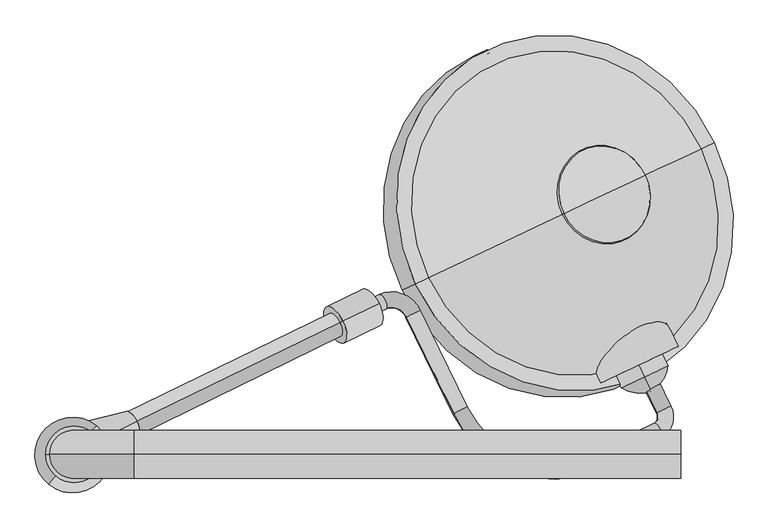
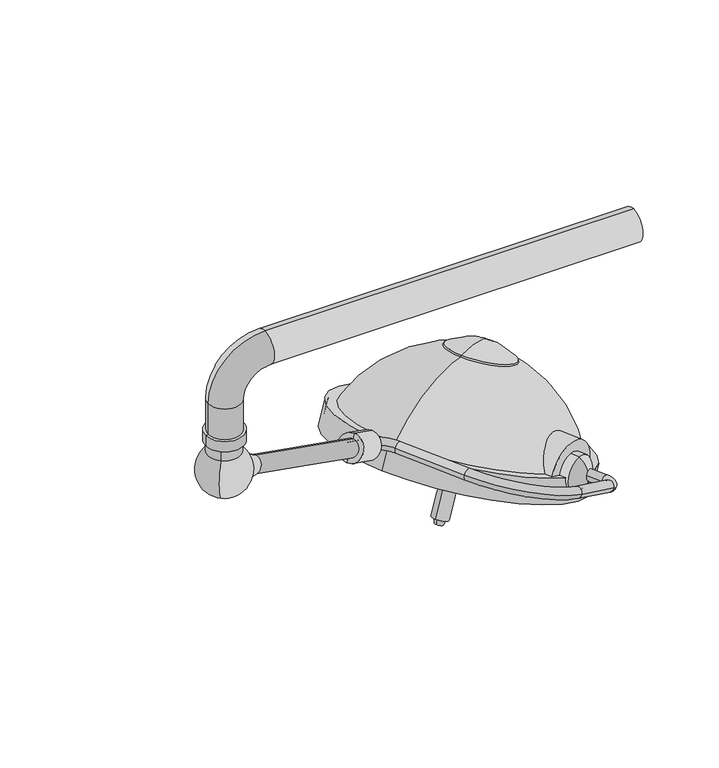
"""IFC4 building model written with IfcOpenShell, lengths in millimetres: proxy geometry."""

from ifc_helpers import new_model, si_unit, point, frame, frame_2d, origin, origin_2d, place, context, project, spatial, polyline, circle_curve, ellipse_curve, trimmed, segment, composite_curve, outline, extrude, source, transform, mapped, element, save
from ifc_brep_helpers import plane_surface, cylinder_surface, revolved_surface, advanced_brep


def specialty_equipment_baffde93(model_context):
    return source(origin(), model_context, "Body", "SolidModel", [
        advanced_brep(
        [(-51.3241797, -670.2413617, 1699.7604265), (-72.1798458, -680.4133498, 1710.0915373), (-51.503984, -722.8051486, 1710.0915373), (-30.6483179, -712.6331606, 1699.7604265), (-56.3645035, -739.305827, 1715.2570926), (-45.2298764, -762.1351958, 1715.2570926), (-159.8794514, -789.7934405, 1766.5344952), (-148.7448243, -812.6228093, 1766.5344952), (-351.8212111, -713.8491561, 1828.5211596), (-372.6768772, -724.0211441, 1838.8522704), (-426.0821694, -561.5916279, 1828.5211596), (-446.9378356, -571.7636159, 1838.8522704), (-490.062756, -536.2768664, 1849.1833811), (-478.9281288, -559.1062352, 1849.1833811), (-557.8921303, -597.619552, 1888.2991704), (-569.0267574, -574.7901832, 1888.2991704)],
        [
            (0, 1, circle_curve(frame((-61.7520127, -675.3273558, 1704.9259819), z_axis=(-0.43837114678908723, 0.8987940462991623, 0.0), x_axis=(-0.8210892183528129, -0.40047196991074896, 0.4067366430758003)), 12.7)),
            (1, 0, circle_curve(frame((-61.7520127, -675.3273558, 1704.9259819), z_axis=(-0.43837114678908723, 0.8987940462991623, 0.0), x_axis=(-0.8210892183528129, -0.40047196991074896, 0.4067366430758003)), 12.7)),
            (1, 2),
            (2, 3, circle_curve(frame((-41.0761509, -717.7191546, 1704.9259819), z_axis=(-0.43837114678908723, 0.8987940462991623, 0.0), x_axis=(-0.8210892183528129, -0.40047196991074896, 0.4067366430758003)), 12.7)),
            (3, 0),
            (3, 2, circle_curve(frame((-41.0761509, -717.7191546, 1704.9259819), z_axis=(-0.43837114678908723, 0.8987940462991623, 0.0), x_axis=(-0.8210892183528129, -0.40047196991074896, 0.4067366430758003)), 12.7)),
            (4, 5, circle_curve(frame((-50.79719, -750.7205114, 1715.2570926), z_axis=(0.8210892183528026, 0.40047196991076994, -0.4067366430758003), x_axis=(-0.43837114678910644, 0.8987940462991528, 0.0)), 12.7)),
            (5, 3, circle_curve(frame((-61.9318171, -727.8911427, 1715.2570926), z_axis=(0.36557247320823727, 0.17830160866628114, 0.9135454576426009), x_axis=(0.8210892183528128, 0.400471969910749, -0.4067366430758004)), 38.1)),
            (2, 4, circle_curve(frame((-61.9318171, -727.8911427, 1715.2570926), z_axis=(-0.36557247320823727, -0.17830160866628114, -0.9135454576426009), x_axis=(0.8210892183528128, 0.400471969910749, -0.4067366430758004)), 12.7)),
            (5, 4, circle_curve(frame((-50.79719, -750.7205114, 1715.2570926), z_axis=(0.8210892183528096, 0.40047196991075557, -0.4067366430758003), x_axis=(-0.43837114678909334, 0.8987940462991593, 0.0)), 12.7)),
            (4, 6),
            (6, 7, circle_curve(frame((-154.3121378, -801.2081249, 1766.5344952), z_axis=(0.821089218352813, 0.40047196991074857, -0.40673664307580043), x_axis=(-0.4383711467890869, 0.8987940462991624, 0.0)), 12.7)),
            (7, 5),
            (7, 6, circle_curve(frame((-154.3121378, -801.2081249, 1766.5344952), z_axis=(0.821089218352813, 0.40047196991074857, -0.40673664307580043), x_axis=(-0.4383711467890869, 0.8987940462991624, 0.0)), 12.7)),
            (8, 9, circle_curve(frame((-362.2490441, -718.9351501, 1833.686715), z_axis=(0.43837114678908423, -0.8987940462991637, 0.0), x_axis=(0.8210892183528146, 0.40047196991074574, -0.40673664307580043)), 12.7)),
            (9, 7, circle_curve(frame((-226.6872142, -652.8172279, 1766.5344952), z_axis=(0.36557247320823727, 0.17830160866628114, 0.9135454576426009), x_axis=(0.43837114678909317, -0.8987940462991594, 0.0)), 177.8)),
            (6, 8, circle_curve(frame((-226.6872142, -652.8172279, 1766.5344952), z_axis=(-0.36557247320823727, -0.17830160866628114, -0.9135454576426009), x_axis=(0.43837114678909317, -0.8987940462991594, 0.0)), 152.4)),
            (9, 8, circle_curve(frame((-362.2490441, -718.9351501, 1833.686715), z_axis=(0.43837114678908495, -0.8987940462991634, 0.0), x_axis=(0.8210892183528141, 0.4004719699107465, -0.40673664307580043)), 12.7)),
            (8, 10),
            (10, 11, circle_curve(frame((-436.5100025, -566.6776219, 1833.686715), z_axis=(0.43837114678908545, -0.898794046299163, 0.0), x_axis=(0.8210892183528139, 0.400471969910747, -0.4067366430758005)), 12.7)),
            (11, 9),
            (11, 10, circle_curve(frame((-436.5100025, -566.6776219, 1833.686715), z_axis=(0.43837114678908545, -0.898794046299163, 0.0), x_axis=(0.8210892183528139, 0.400471969910747, -0.4067366430758005)), 12.7)),
            (12, 13, circle_curve(frame((-484.4954424, -547.6915508, 1849.1833811), z_axis=(0.8210892183528162, 0.40047196991074224, -0.4067366430758004), x_axis=(-0.4383711467890812, 0.8987940462991653, 0.0)), 12.7)),
            (13, 11, circle_curve(frame((-467.7935017, -581.935604, 1849.1833811), z_axis=(-0.36557247320823727, -0.17830160866628114, -0.9135454576426009), x_axis=(0.8210892183528169, 0.4004719699107408, -0.4067366430758004)), 25.4)),
            (10, 12, circle_curve(frame((-467.7935017, -581.935604, 1849.1833811), z_axis=(0.36557247320823727, 0.17830160866628114, 0.9135454576426009), x_axis=(0.8210892183528169, 0.4004719699107408, -0.4067366430758004)), 50.8)),
            (13, 12, circle_curve(frame((-484.4954424, -547.6915508, 1849.1833811), z_axis=(0.8210892183528147, 0.40047196991074546, -0.4067366430758004), x_axis=(-0.43837114678908407, 0.8987940462991638, 0.0)), 12.7)),
            (14, 15, circle_curve(frame((-563.4594439, -586.2048676, 1888.2991704), z_axis=(-0.821089218352815, -0.40047196991074563, 0.4067366430757997), x_axis=(-0.438371146789084, 0.8987940462991637, 0.0)), 12.7)),
            (15, 14, circle_curve(frame((-563.4594439, -586.2048676, 1888.2991704), z_axis=(-0.821089218352815, -0.40047196991074563, 0.4067366430757997), x_axis=(-0.438371146789084, 0.8987940462991637, 0.0)), 12.7)),
            (12, 15),
            (14, 13),
        ],
        [
            plane_surface(frame((-671.2712366, -972.6097446, 181.7710423), z_axis=(-0.43837114678908734, 0.8987940462991622, 0.0), x_axis=(0.3655724732082375, 0.17830160866628114, 0.9135454576426008))),
            cylinder_surface(frame((-61.7520127, -675.3273558, 1704.9259819), z_axis=(-0.43837114678908723, 0.8987940462991623, 0.0), x_axis=(-0.8210892183528129, -0.40047196991074896, 0.4067366430758003)), 12.7),
            revolved_surface(trimmed(ellipse_curve(frame((-41.0761509, -717.7191546, 1704.9259819), z_axis=(0.43837114678908723, -0.8987940462991622, 0.0), x_axis=(-0.8210892183528128, -0.4004719699107489, 0.40673664307580043)), 12.7, 12.7), [point((-30.6483179, -712.6331606, 1699.7604265))], [point((-51.503984, -722.8051486, 1710.0915373))], True, "CARTESIAN"), (-671.451041, -1025.1735315, 192.1021531), (0.36557247320823727, 0.17830160866628114, 0.9135454576426009)),
            revolved_surface(trimmed(ellipse_curve(frame((-41.0761509, -717.7191546, 1704.9259819), z_axis=(0.43837114678908723, -0.8987940462991622, 0.0), x_axis=(-0.8210892183528128, -0.4004719699107489, 0.40673664307580043)), 12.7, 12.7), [point((-51.503984, -722.8051486, 1710.0915373))], [point((-30.6483179, -712.6331606, 1699.7604265))], True, "CARTESIAN"), (-671.451041, -1025.1735315, 192.1021531), (0.36557247320823727, 0.17830160866628114, 0.9135454576426009)),
            cylinder_surface(frame((-50.79719, -750.7205114, 1715.2570926), z_axis=(0.821089218352813, 0.40047196991074857, -0.40673664307580043), x_axis=(-0.4383711467890869, 0.8987940462991624, 0.0)), 12.7),
            revolved_surface(trimmed(ellipse_curve(frame((-154.3121378, -801.2081249, 1766.5344952), z_axis=(-0.8210892183528098, -0.40047196991075545, 0.4067366430758005), x_axis=(-0.4383711467890932, 0.8987940462991594, 0.0)), 12.7, 12.7), [point((-148.7448243, -812.6228093, 1766.5344952))], [point((-159.8794514, -789.7934405, 1766.5344952))], True, "CARTESIAN"), (-836.2064381, -950.0996167, 243.3795556), (0.36557247320823727, 0.17830160866628114, 0.9135454576426009)),
            revolved_surface(trimmed(ellipse_curve(frame((-154.3121378, -801.2081249, 1766.5344952), z_axis=(-0.8210892183528098, -0.40047196991075545, 0.4067366430758005), x_axis=(-0.4383711467890932, 0.8987940462991594, 0.0)), 12.7, 12.7), [point((-159.8794514, -789.7934405, 1766.5344952))], [point((-148.7448243, -812.6228093, 1766.5344952))], True, "CARTESIAN"), (-836.2064381, -950.0996167, 243.3795556), (0.36557247320823727, 0.17830160866628114, 0.9135454576426009)),
            cylinder_surface(frame((-362.2490441, -718.9351501, 1833.686715), z_axis=(0.43837114678908556, -0.8987940462991633, 0.0), x_axis=(0.8210892183528139, 0.400471969910747, -0.4067366430758005)), 12.7),
            revolved_surface(trimmed(ellipse_curve(frame((-436.5100025, -566.6776219, 1833.686715), z_axis=(-0.43837114678907957, 0.898794046299166, 0.0), x_axis=(0.821089218352817, 0.4004719699107405, -0.40673664307580043)), 12.7, 12.7), [point((-446.9378356, -571.7636159, 1838.8522704))], [point((-426.0821694, -561.5916279, 1828.5211596))], True, "CARTESIAN"), (-1077.3127256, -879.2179928, 326.0284415), (-0.36557247320823727, -0.17830160866628114, -0.9135454576426009)),
            revolved_surface(trimmed(ellipse_curve(frame((-436.5100025, -566.6776219, 1833.686715), z_axis=(-0.43837114678907957, 0.898794046299166, 0.0), x_axis=(0.821089218352817, 0.4004719699107405, -0.40673664307580043)), 12.7, 12.7), [point((-426.0821694, -561.5916279, 1828.5211596))], [point((-446.9378356, -571.7636159, 1838.8522704))], True, "CARTESIAN"), (-1077.3127256, -879.2179928, 326.0284415), (-0.36557247320823727, -0.17830160866628114, -0.9135454576426009)),
            plane_surface(frame((-1172.9786678, -883.4872565, 365.1442308), z_axis=(-0.821089218352815, -0.40047196991074574, 0.4067366430757996), x_axis=(0.3655724732082366, 0.1783016086662806, 0.9135454576426013))),
            cylinder_surface(frame((-484.4954424, -547.6915508, 1849.1833811), z_axis=(0.8210892183528148, 0.4004719699107455, -0.4067366430757996), x_axis=(-0.438371146789084, 0.8987940462991637, 0.0)), 12.7),
        ],
        [
            (0, [[1, 2]]),
            (1, [[3, 4, 5, -2]]),
            (1, [[-5, 6, -3, -1]]),
            (2, [[7, 8, -4, 9]]),
            (3, [[10, -9, -6, -8]]),
            (4, [[11, 12, 13, -7]]),
            (4, [[-13, 14, -11, -10]]),
            (5, [[15, 16, -12, 17]]),
            (6, [[18, -17, -14, -16]]),
            (7, [[19, 20, 21, -15]]),
            (7, [[-21, 22, -19, -18]]),
            (8, [[23, 24, -20, 25]]),
            (9, [[26, -25, -22, -24]]),
            (10, [[27, 28]]),
            (11, [[29, -27, 30, -23]]),
            (11, [[-30, -28, -29, -26]]),
        ],
    ),
        advanced_brep(
        [(-70.9853036, -666.0888501, 1662.093259), (-79.9012214, -647.2586456, 1662.093259), (-79.9012214, -647.2586456, 1743.3108067), (-70.9853036, -666.0888501, 1743.3108067), (-59.9841849, -689.3229491, 1702.7020328), (-79.9012214, -647.2586456, 1702.7020328)],
        [
            (0, 1),
            (1, 2, circle_curve(frame((-79.9012214, -647.2586456, 1702.7020328), z_axis=(0.4279431442574036, -0.9038056568107367, 0.0), x_axis=(0.0, 0.0, 1.0)), 40.6087738)),
            (2, 3),
            (3, 0, circle_curve(frame((-70.9853036, -666.0888501, 1702.7020328), z_axis=(-0.4279431442574036, 0.9038056568107367, 0.0), x_axis=(0.0, 0.0, 1.0)), 40.6087738)),
            (2, 1, circle_curve(frame((-79.9012214, -647.2586456, 1702.7020328), z_axis=(0.4279431442574036, -0.9038056568107367, 0.0), x_axis=(0.0, 0.0, 1.0)), 40.6087738)),
            (0, 3, circle_curve(frame((-70.9853036, -666.0888501, 1702.7020328), z_axis=(-0.4279431442574036, 0.9038056568107367, 0.0), x_axis=(0.0, 0.0, 1.0)), 40.6087738)),
            (4, 0, circle_curve(frame((-83.4268503, -639.8126019, 1708.9387051), z_axis=(0.9038056568107369, 0.4279431442574031, 0.0), x_axis=(-0.42794314425740326, 0.9038056568107368, 0.0)), 55.1337385)),
            (3, 4, circle_curve(frame((-83.4268503, -639.8126019, 1696.4653606), z_axis=(0.9038056568107367, 0.42794314425740376, 0.0), x_axis=(-0.42794314425740393, 0.9038056568107365, 0.0)), 55.1337385)),
            (1, 5),
            (5, 2),
        ],
        [
            cylinder_surface(frame((-79.9012214, -647.2586456, 1702.7020328), z_axis=(0.4279431442574036, -0.9038056568107367, 0.0), x_axis=(0.0, 0.0, 1.0)), 40.6087738),
            revolved_surface(trimmed(ellipse_curve(frame((-83.4268503, -639.8126019, 1696.4653606), z_axis=(0.9038056568107367, 0.42794314425740376, 0.0), x_axis=(-0.42794314425740393, 0.9038056568107365, 0.0)), 55.1337385, 55.1337385), [point((-70.9853036, -666.0888501, 1743.3108067))], [point((-59.9841849, -689.3229491, 1702.7020328))], True, "CARTESIAN"), (-79.9012214, -647.2586456, 1702.7020328), (0.4279431442574036, -0.9038056568107367, 0.0)),
            revolved_surface(trimmed(ellipse_curve(frame((-83.4268503, -639.8126019, 1696.4653606), z_axis=(0.9038056568107365, 0.42794314425740393, 0.0), x_axis=(-0.4279431442574041, 0.9038056568107364, 0.0)), 55.1337385, 55.1337385), [point((-70.9853036, -666.0888501, 1743.3108067))], [point((-59.9841849, -689.3229491, 1702.7020328))], True, "CARTESIAN"), (-79.9012214, -647.2586456, 1702.7020328), (0.4279431442574036, -0.9038056568107367, 0.0)),
            plane_surface(frame((-79.9012214, -647.2586456, 1702.7020328), z_axis=(-0.42794314425740343, 0.9038056568107368, 0.0), x_axis=(0.0, 0.0, 1.0))),
        ],
        [
            (0, [[1, 2, 3, 4]]),
            (0, [[-3, 5, -1, 6]]),
            (1, [[7, -4, 8]]),
            (2, [[-8, -6, -7]]),
            (3, [[9, 10, -2]]),
            (3, [[-10, -9, -5]]),
        ],
    ),
        advanced_brep(
        [(-198.2891405, -408.2286063, 1882.6946884), (-123.8504881, -372.982632, 1877.268084), (-70.3964825, -347.6726828, 1819.6927814), (-200.9060117, -409.4676693, 1880.0876662), (-70.3964825, -347.6726828, 1815.7966478), (-129.8474904, -375.822154, 1862.3650044)],
        [
            (0, 1, circle_curve(frame((-172.8421817, -396.1797201, 1682.2916913), z_axis=(-0.427943144257401, 0.9038056568107382, 0.0), x_axis=(0.604764027172337, 0.2863498556040709, -0.7431448254773931)), 202.3711557)),
            (1, 2, circle_curve(frame((-222.0261973, -419.4678707, 1706.5205002), z_axis=(-0.42794314425740376, 0.9038056568107369, 0.0), x_axis=(-0.9038056568107369, -0.4279431442574038, 0.0)), 202.3711557)),
            (2, 0, circle_curve(frame((-134.3428115, -377.9506446, 1851.1937349), z_axis=(0.3676108788441171, 0.17406015792255894, 0.9135454576426013), x_axis=(0.8256675523711364, 0.3909455155656434, -0.4067366430757995)), 77.4480344)),
            (0, 2, circle_curve(frame((-134.3428115, -377.9506446, 1851.1937349), z_axis=(0.3676108788441171, 0.17406015792255894, 0.9135454576426013), x_axis=(0.8256675523711364, 0.3909455155656434, -0.4067366430757995)), 77.4480344)),
            (3, 0),
            (2, 4),
            (4, 3, circle_curve(frame((-135.6512471, -378.5701761, 1847.942157), z_axis=(0.3676108788441171, 0.17406015792255894, 0.9135454576426013), x_axis=(0.8256675523711364, 0.3909455155656434, -0.4067366430757995)), 79.0327347)),
            (3, 4, circle_curve(frame((-135.6512471, -378.5701761, 1847.942157), z_axis=(0.3676108788441171, 0.17406015792255894, 0.9135454576426013), x_axis=(0.8256675523711364, 0.3909455155656434, -0.4067366430757995)), 79.0327347)),
            (5, 3, circle_curve(frame((-221.2532479, -419.1018867, 1596.9639329), z_axis=(0.427943144257401, -0.9038056568107382, 0.0), x_axis=(0.604764027172337, 0.2863498556040709, -0.7431448254773931)), 284.0173877)),
            (4, 5, circle_curve(frame((-246.9439851, -431.2661997, 1609.6195886), z_axis=(0.42794314425740376, -0.9038056568107369, 0.0), x_axis=(-0.9038056568107369, -0.4279431442574038, 0.0)), 284.0173877)),
        ],
        [
            revolved_surface(trimmed(ellipse_curve(frame((-222.0261973, -419.4678707, 1706.5205002), z_axis=(-0.42794314425740376, 0.9038056568107369, 0.0), x_axis=(-0.9038056568107369, -0.4279431442574038, 0.0)), 202.3711557, 202.3711557), [point((-123.8504881, -372.982632, 1877.268084))], [point((-70.3964825, -347.6726828, 1819.6927814))], True, "CARTESIAN"), (-169.8512246, -394.7635311, 1762.9521965), (-0.3676108788441171, -0.17406015792255894, -0.9135454576426013)),
            revolved_surface(trimmed(ellipse_curve(frame((-222.0261973, -419.4678707, 1706.5205002), z_axis=(-0.42794314425740376, 0.9038056568107369, 0.0), x_axis=(-0.9038056568107369, -0.42794314425740376, 0.0)), 202.3711557, 202.3711557), [point((-123.8504881, -372.982632, 1877.268084))], [point((-70.3964825, -347.6726828, 1819.6927814))], True, "CARTESIAN"), (-169.8512246, -394.7635311, 1762.9521965), (-0.3676108788441171, -0.17406015792255894, -0.9135454576426013)),
            revolved_surface(polyline([(-70.3964825, -347.6726828, 1819.6927814), (-70.3964825, -347.6726828, 1815.7966478)]), (-169.8512246, -394.7635311, 1762.9521965), (-0.3676108788441171, -0.17406015792255894, -0.9135454576426013)),
            revolved_surface(trimmed(ellipse_curve(frame((-246.9439851, -431.2661997, 1609.6195886), z_axis=(0.42794314425740376, -0.9038056568107369, 0.0), x_axis=(-0.9038056568107369, -0.4279431442574038, 0.0)), 284.0173877, 284.0173877), [point((-70.3964825, -347.6726828, 1815.7966478))], [point((-129.8474904, -375.822154, 1862.3650044))], True, "CARTESIAN"), (-169.8512246, -394.7635311, 1762.9521965), (-0.3676108788441171, -0.17406015792255894, -0.9135454576426013)),
            revolved_surface(trimmed(ellipse_curve(frame((-246.9439851, -431.2661997, 1609.6195886), z_axis=(0.42794314425740376, -0.9038056568107369, 0.0), x_axis=(-0.9038056568107369, -0.42794314425740376, 0.0)), 284.0173877, 284.0173877), [point((-70.3964825, -347.6726828, 1815.7966478))], [point((-129.8474904, -375.822154, 1862.3650044))], True, "CARTESIAN"), (-169.8512246, -394.7635311, 1762.9521965), (-0.3676108788441171, -0.17406015792255894, -0.9135454576426013)),
        ],
        [
            (0, [[1, 2, 3]]),
            (1, [[-2, -1, 4]]),
            (2, [[5, -3, 6, 7]]),
            (2, [[-6, -4, -5, 8]]),
            (3, [[9, -7, 10]]),
            (4, [[-10, -8, -9]]),
        ],
    ),
        advanced_brep(
        [(-266.4821549, -440.5173321, 1522.8158117), (-255.996177, -435.552324, 1517.6502563), (-276.9681328, -445.4823401, 1527.9813671), (-263.0629437, -438.898369, 1507.6425198), (-271.0121339, -442.6622329, 1511.5584142), (-278.9613242, -446.4260968, 1515.4743086)],
        [
            (0, 1),
            (1, 2, circle_curve(frame((-266.4821549, -440.5173321, 1522.8158117), z_axis=(0.36761087884411703, 0.17406015792255897, 0.9135454576426013), x_axis=(-0.8256675523711364, -0.3909455155656434, 0.40673664307579943)), 12.7)),
            (2, 0),
            (2, 1, circle_curve(frame((-266.4821549, -440.5173321, 1522.8158117), z_axis=(0.36761087884411703, 0.17406015792255897, 0.9135454576426013), x_axis=(-0.8256675523711364, -0.3909455155656434, 0.40673664307579943)), 12.7)),
            (3, 4),
            (4, 5),
            (5, 3, circle_curve(frame((-271.0121339, -442.6622329, 1511.5584142), z_axis=(-0.36761087884411703, -0.17406015792255897, -0.9135454576426013), x_axis=(-0.8256675523711364, -0.3909455155656434, 0.40673664307579943)), 9.6275919)),
            (3, 5, circle_curve(frame((-271.0121339, -442.6622329, 1511.5584142), z_axis=(-0.36761087884411703, -0.17406015792255897, -0.9135454576426013), x_axis=(-0.8256675523711364, -0.3909455155656434, 0.40673664307579943)), 9.6275919)),
            (1, 3),
            (5, 2),
        ],
        [
            plane_surface(frame((-266.4821549, -440.5173321, 1522.8158117), z_axis=(0.36761087884411714, 0.1740601579225589, 0.9135454576426014), x_axis=(-0.8256675523711364, -0.3909455155656434, 0.40673664307579943))),
            plane_surface(frame((-271.0121339, -442.6622329, 1511.5584142), z_axis=(-0.36761087884411714, -0.1740601579225589, -0.9135454576426014), x_axis=(-0.8256675523711364, -0.3909455155656434, 0.40673664307579943))),
            revolved_surface(polyline([(-278.9613242, -446.4260968, 1515.4743086), (-276.9681328, -445.4823401, 1527.9813671)]), (-229.1328896, -422.83282, 1615.6320302), (0.36761087884411703, 0.17406015792255897, 0.9135454576426013)),
        ],
        [
            (0, [[1, 2, 3]]),
            (0, [[-3, 4, -1]]),
            (1, [[5, 6, 7]]),
            (1, [[-6, -5, 8]]),
            (2, [[9, -7, 10, -2]]),
            (2, [[-10, -8, -9, -4]]),
        ],
    ),
        advanced_brep(
        [(-229.1328896, -422.83282, 1615.6320302), (-213.4039227, -415.385308, 1607.8836971), (-244.8618565, -430.2803321, 1623.3803632), (-250.753188, -433.06982, 1515.0674786), (-266.4821549, -440.5173321, 1522.8158117), (-282.2111217, -447.9648442, 1530.5641447)],
        [
            (0, 1),
            (1, 2, circle_curve(frame((-229.1328896, -422.83282, 1615.6320302), z_axis=(0.36761087884411703, 0.17406015792255897, 0.9135454576426013), x_axis=(-0.8256675523711364, -0.3909455155656434, 0.40673664307579943)), 19.05)),
            (2, 0),
            (2, 1, circle_curve(frame((-229.1328896, -422.83282, 1615.6320302), z_axis=(0.36761087884411703, 0.17406015792255897, 0.9135454576426013), x_axis=(-0.8256675523711364, -0.3909455155656434, 0.40673664307579943)), 19.05)),
            (3, 4),
            (4, 5),
            (5, 3, circle_curve(frame((-266.4821549, -440.5173321, 1522.8158117), z_axis=(-0.36761087884411703, -0.17406015792255897, -0.9135454576426013), x_axis=(-0.8256675523711364, -0.3909455155656434, 0.40673664307579943)), 19.05)),
            (3, 5, circle_curve(frame((-266.4821549, -440.5173321, 1522.8158117), z_axis=(-0.36761087884411703, -0.17406015792255897, -0.9135454576426013), x_axis=(-0.8256675523711364, -0.3909455155656434, 0.40673664307579943)), 19.05)),
            (1, 3),
            (5, 2),
        ],
        [
            plane_surface(frame((-229.1328896, -422.83282, 1615.6320302), z_axis=(0.36761087884411714, 0.1740601579225589, 0.9135454576426014), x_axis=(-0.8256675523711364, -0.3909455155656434, 0.40673664307579943))),
            plane_surface(frame((-266.4821549, -440.5173321, 1522.8158117), z_axis=(-0.36761087884411714, -0.1740601579225589, -0.9135454576426014), x_axis=(-0.8256675523711364, -0.3909455155656434, 0.40673664307579943))),
            cylinder_surface(frame((-229.1328896, -422.83282, 1615.6320302), z_axis=(0.36761087884411703, 0.17406015792255897, 0.9135454576426013), x_axis=(-0.8256675523711364, -0.3909455155656434, 0.40673664307579943)), 19.05),
        ],
        [
            (0, [[1, 2, 3]]),
            (0, [[-3, 4, -1]]),
            (1, [[5, 6, 7]]),
            (1, [[-6, -5, 8]]),
            (2, [[9, -7, 10, -2]]),
            (2, [[-10, -8, -9, -4]]),
        ],
    ),
        advanced_brep(
        [(-222.1299023, -419.516974, 1633.0350712), (-185.4289796, -402.1394459, 1614.9556274), (-258.830825, -436.8945022, 1651.1145149), (-192.4319669, -405.4552919, 1597.5525864), (-229.1328896, -422.83282, 1615.6320302), (-265.8338123, -440.2103482, 1633.711474)],
        [
            (0, 1),
            (1, 2, circle_curve(frame((-222.1299023, -419.516974, 1633.0350712), z_axis=(0.3676108788441165, 0.1740601579225587, 0.9135454576426016), x_axis=(-0.8256675523711366, -0.3909455155656435, 0.4067366430757988)), 44.45)),
            (2, 0),
            (2, 1, circle_curve(frame((-222.1299023, -419.516974, 1633.0350712), z_axis=(0.3676108788441165, 0.1740601579225587, 0.9135454576426016), x_axis=(-0.8256675523711366, -0.3909455155656435, 0.4067366430757988)), 44.45)),
            (3, 4),
            (4, 5),
            (5, 3, circle_curve(frame((-229.1328896, -422.83282, 1615.6320302), z_axis=(-0.3676108788441165, -0.1740601579225587, -0.9135454576426016), x_axis=(-0.8256675523711366, -0.3909455155656435, 0.4067366430757988)), 44.45)),
            (3, 5, circle_curve(frame((-229.1328896, -422.83282, 1615.6320302), z_axis=(-0.3676108788441165, -0.1740601579225587, -0.9135454576426016), x_axis=(-0.8256675523711366, -0.3909455155656435, 0.4067366430757988)), 44.45)),
            (1, 3),
            (5, 2),
        ],
        [
            plane_surface(frame((-222.1299023, -419.516974, 1633.0350712), z_axis=(0.3676108788441166, 0.17406015792255863, 0.9135454576426016), x_axis=(-0.8256675523711366, -0.3909455155656435, 0.4067366430757988))),
            plane_surface(frame((-229.1328896, -422.83282, 1615.6320302), z_axis=(-0.3676108788441166, -0.17406015792255863, -0.9135454576426016), x_axis=(-0.8256675523711366, -0.3909455155656435, 0.4067366430757988))),
            cylinder_surface(frame((-222.1299023, -419.516974, 1633.0350712), z_axis=(0.3676108788441165, 0.1740601579225587, 0.9135454576426016), x_axis=(-0.8256675523711366, -0.3909455155656435, 0.4067366430757988)), 44.45),
        ],
        [
            (0, [[1, 2, 3]]),
            (0, [[-3, 4, -1]]),
            (1, [[5, 6, 7]]),
            (1, [[-6, -5, 8]]),
            (2, [[9, -7, 10, -2]]),
            (2, [[-10, -8, -9, -4]]),
        ],
    ),
        advanced_brep(
        [(-217.8648709, -417.4975233, 1643.6340505), (-170.6779703, -395.1549871, 1620.3890514), (-265.0517715, -439.8400595, 1666.8790497), (-179.2080332, -399.1938885, 1611.8910927), (-222.1299023, -419.516974, 1633.0350712), (-265.0517715, -439.8400595, 1654.1790497)],
        [
            (0, 1),
            (1, 2, circle_curve(frame((-217.8648709, -417.4975233, 1643.6340505), z_axis=(0.36761087884411725, 0.17406015792255908, 0.9135454576426012), x_axis=(-0.8256675523711363, -0.39094551556564333, 0.4067366430757997)), 57.15)),
            (2, 0),
            (2, 1, circle_curve(frame((-217.8648709, -417.4975233, 1643.6340505), z_axis=(0.36761087884411725, 0.17406015792255908, 0.9135454576426012), x_axis=(-0.8256675523711363, -0.39094551556564333, 0.4067366430757997)), 57.15)),
            (3, 4),
            (4, 5),
            (5, 3, circle_curve(frame((-222.1299023, -419.516974, 1633.0350712), z_axis=(-0.36761087884411725, -0.17406015792255908, -0.9135454576426012), x_axis=(-0.8256675523711363, -0.39094551556564333, 0.4067366430757997)), 51.9844446)),
            (3, 5, circle_curve(frame((-222.1299023, -419.516974, 1633.0350712), z_axis=(-0.36761087884411725, -0.17406015792255908, -0.9135454576426012), x_axis=(-0.8256675523711363, -0.39094551556564333, 0.4067366430757997)), 51.9844446)),
            (1, 3),
            (5, 2),
        ],
        [
            plane_surface(frame((-217.8648709, -417.4975233, 1643.6340505), z_axis=(0.36761087884411736, 0.17406015792255902, 0.9135454576426013), x_axis=(-0.8256675523711363, -0.39094551556564333, 0.4067366430757997))),
            plane_surface(frame((-222.1299023, -419.516974, 1633.0350712), z_axis=(-0.36761087884411736, -0.17406015792255902, -0.9135454576426013), x_axis=(-0.8256675523711363, -0.39094551556564333, 0.4067366430757997))),
            revolved_surface(polyline([(-265.0517715, -439.8400595, 1654.1790497), (-265.0517715, -439.8400595, 1666.8790497)]), (-217.8648709, -417.4975233, 1643.6340505), (0.36761087884411725, 0.17406015792255908, 0.9135454576426012)),
        ],
        [
            (0, [[1, 2, 3]]),
            (0, [[-3, 4, -1]]),
            (1, [[5, 6, 7]]),
            (1, [[-6, -5, 8]]),
            (2, [[9, -7, 10, -2]]),
            (2, [[-10, -8, -9, -4]]),
        ],
    ),
        extrude(outline(composite_curve([segment(polyline([(25.1937137, 4.6953207), (-31.6273953, 132.3176211)]), True, "CONTINUOUS"), segment(trimmed(circle_curve(frame_2d((0.0, 69.9387006)), 69.9387006), [point((-31.6273953, 132.3176211))], [point((25.1937137, 4.6953207))], False, "CARTESIAN"), True, "CONTINUOUS")], self_intersect=False)), frame((-144.6400085, -677.9118285, 1699.0600142), z_axis=(-0.42794314425740343, 0.9038056568107368, 0.0), x_axis=(0.0, 0.0, 1.0)), (0.0, 0.0, 1.0), 84.2600986),
        advanced_brep(
        [(-411.8184564, -509.3326503, 1801.7370584), (-129.8408016, -375.8189869, 1862.3816266), (18.1066381, -305.7673203, 1589.9492884), (-406.0906916, -506.6206096, 1798.9154726), (12.3788733, -308.479361, 1592.7708742), (-132.17953, -376.9263519, 1856.5696802)],
        [
            (0, 1, circle_curve(frame((-226.1466857, -421.4188817, 1577.7194701), z_axis=(-0.42794314425740104, 0.9038056568107381, 0.0), x_axis=(0.6047640271723369, 0.28634985560407084, -0.7431448254773931)), 303.9518334)),
            (1, 2, circle_curve(frame((-256.5953432, -435.8360234, 1592.718951), z_axis=(-0.4279431442574038, 0.9038056568107369, 0.0), x_axis=(-0.9038056568107368, -0.4279431442574038, 0.0)), 303.9518334)),
            (2, 0, circle_curve(frame((-196.8559092, -407.5499853, 1695.8431734), z_axis=(0.3676108788441172, 0.17406015792255902, 0.9135454576426013), x_axis=(0.8256675523711364, 0.3909455155656434, -0.4067366430757996)), 260.35)),
            (0, 2, circle_curve(frame((-196.8559092, -407.5499853, 1695.8431734), z_axis=(0.3676108788441172, 0.17406015792255902, 0.9135454576426013), x_axis=(0.8256675523711364, 0.3909455155656434, -0.4067366430757996)), 260.35)),
            (3, 0),
            (2, 4),
            (4, 3, circle_curve(frame((-196.8559092, -407.5499853, 1695.8431734), z_axis=(0.3676108788441172, 0.17406015792255902, 0.9135454576426013), x_axis=(0.8256675523711364, 0.3909455155656434, -0.4067366430757996)), 253.412868)),
            (3, 4, circle_curve(frame((-196.8559092, -407.5499853, 1695.8431734), z_axis=(0.3676108788441172, 0.17406015792255902, 0.9135454576426013), x_axis=(0.8256675523711364, 0.3909455155656434, -0.4067366430757996)), 253.412868)),
            (5, 3, circle_curve(frame((-226.1466857, -421.4188817, 1577.7194701), z_axis=(0.42794314425740104, -0.9038056568107381, 0.0), x_axis=(0.6047640271723369, 0.28634985560407084, -0.7431448254773931)), 297.6018334)),
            (4, 5, circle_curve(frame((-256.5953432, -435.8360234, 1592.718951), z_axis=(0.4279431442574038, -0.9038056568107369, 0.0), x_axis=(-0.9038056568107368, -0.4279431442574038, 0.0)), 297.6018334)),
        ],
        [
            revolved_surface(trimmed(ellipse_curve(frame((-256.5953432, -435.8360234, 1592.718951), z_axis=(-0.4279431442574038, 0.9038056568107369, 0.0), x_axis=(-0.9038056568107368, -0.4279431442574038, 0.0)), 303.9518334, 303.9518334), [point((-129.8408016, -375.8189869, 1862.3816266))], [point((18.1066381, -305.7673203, 1589.9492884))], True, "CARTESIAN"), (-196.8559092, -407.5499853, 1695.8431734), (-0.3676108788441172, -0.17406015792255902, -0.9135454576426013)),
            revolved_surface(trimmed(ellipse_curve(frame((-256.5953432, -435.8360234, 1592.718951), z_axis=(-0.4279431442574037, 0.9038056568107367, 0.0), x_axis=(-0.9038056568107368, -0.42794314425740376, 0.0)), 303.9518334, 303.9518334), [point((-129.8408016, -375.8189869, 1862.3816266))], [point((18.1066381, -305.7673203, 1589.9492884))], True, "CARTESIAN"), (-196.8559092, -407.5499853, 1695.8431734), (-0.3676108788441172, -0.17406015792255902, -0.9135454576426013)),
            plane_surface(frame((-196.8559092, -407.5499853, 1695.8431734), z_axis=(-0.3676108788441172, -0.17406015792255894, -0.9135454576426013), x_axis=(0.8256675523711363, 0.39094551556564333, -0.40673664307579954))),
            revolved_surface(trimmed(ellipse_curve(frame((-256.5953432, -435.8360234, 1592.718951), z_axis=(0.4279431442574038, -0.9038056568107369, 0.0), x_axis=(-0.9038056568107368, -0.4279431442574038, 0.0)), 297.6018334, 297.6018334), [point((12.3788733, -308.479361, 1592.7708742))], [point((-132.17953, -376.9263519, 1856.5696802))], True, "CARTESIAN"), (-196.8559092, -407.5499853, 1695.8431734), (-0.3676108788441172, -0.17406015792255902, -0.9135454576426013)),
            revolved_surface(trimmed(ellipse_curve(frame((-256.5953432, -435.8360234, 1592.718951), z_axis=(0.4279431442574037, -0.9038056568107367, 0.0), x_axis=(-0.9038056568107368, -0.42794314425740376, 0.0)), 297.6018334, 297.6018334), [point((12.3788733, -308.479361, 1592.7708742))], [point((-132.17953, -376.9263519, 1856.5696802))], True, "CARTESIAN"), (-196.8559092, -407.5499853, 1695.8431734), (-0.3676108788441172, -0.17406015792255902, -0.9135454576426013)),
        ],
        [
            (0, [[1, 2, 3]]),
            (1, [[-2, -1, 4]]),
            (2, [[5, -3, 6, 7]]),
            (2, [[-6, -4, -5, 8]]),
            (3, [[9, -7, 10]]),
            (4, [[-10, -8, -9]]),
        ],
    ),
        advanced_brep(
        [(-453.799374, -529.2102044, 1759.8590463), (-432.7904123, -519.2626664, 1812.0681692), (39.0785939, -295.8373042, 1579.6181777), (18.0696322, -305.7848423, 1527.4090547), (-448.556385, -526.7277004, 1757.2762686), (12.8266432, -308.2673463, 1529.9918324), (-429.8817524, -517.8854444, 1803.6843778), (31.5012759, -299.4250903, 1576.3999417), (-199.1902382, -408.6552673, 1690.0421598), (-196.8559092, -407.5499853, 1695.8431734)],
        [
            (0, 1),
            (1, 2, circle_curve(frame((-196.8559092, -407.5499853, 1695.8431734), z_axis=(-0.3676108788441169, -0.17406015792255886, -0.9135454576426014), x_axis=(0.8256675523711365, 0.39094551556564344, -0.40673664307579926)), 285.75)),
            (2, 3),
            (3, 0, circle_curve(frame((-217.8648709, -417.4975233, 1643.6340505), z_axis=(0.3676108788441169, 0.17406015792255886, 0.9135454576426014), x_axis=(0.8256675523711365, 0.39094551556564344, -0.40673664307579926)), 285.75)),
            (2, 1, circle_curve(frame((-196.8559092, -407.5499853, 1695.8431734), z_axis=(-0.3676108788441169, -0.17406015792255886, -0.9135454576426014), x_axis=(0.8256675523711365, 0.39094551556564344, -0.40673664307579926)), 285.75)),
            (0, 3, circle_curve(frame((-217.8648709, -417.4975233, 1643.6340505), z_axis=(0.3676108788441169, 0.17406015792255886, 0.9135454576426014), x_axis=(0.8256675523711365, 0.39094551556564344, -0.40673664307579926)), 285.75)),
            (4, 0),
            (3, 5),
            (5, 4, circle_curve(frame((-217.8648709, -417.4975233, 1643.6340505), z_axis=(0.3676108788441169, 0.17406015792255886, 0.9135454576426014), x_axis=(0.8256675523711365, 0.39094551556564344, -0.40673664307579926)), 279.4)),
            (4, 5, circle_curve(frame((-217.8648709, -417.4975233, 1643.6340505), z_axis=(0.3676108788441169, 0.17406015792255886, 0.9135454576426014), x_axis=(0.8256675523711365, 0.39094551556564344, -0.40673664307579926)), 279.4)),
            (6, 4),
            (5, 7),
            (7, 6, circle_curve(frame((-199.1902382, -408.6552673, 1690.0421598), z_axis=(0.3676108788441169, 0.17406015792255886, 0.9135454576426014), x_axis=(0.8256675523711365, 0.39094551556564344, -0.40673664307579926)), 279.4)),
            (6, 7, circle_curve(frame((-199.1902382, -408.6552673, 1690.0421598), z_axis=(0.3676108788441169, 0.17406015792255886, 0.9135454576426014), x_axis=(0.8256675523711365, 0.39094551556564344, -0.40673664307579926)), 279.4)),
            (8, 6),
            (7, 8),
            (1, 9),
            (9, 2),
        ],
        [
            cylinder_surface(frame((-217.8648709, -417.4975233, 1643.6340505), z_axis=(-0.3676108788441169, -0.17406015792255886, -0.9135454576426014), x_axis=(0.8256675523711365, 0.39094551556564344, -0.40673664307579926)), 285.75),
            plane_surface(frame((-217.8648709, -417.4975233, 1643.6340505), z_axis=(-0.3676108788441169, -0.1740601579225588, -0.9135454576426014), x_axis=(0.8256675523711364, 0.3909455155656434, -0.4067366430757992))),
            revolved_surface(polyline([(12.826643216697537, -308.26734625843943, 1529.9918323853624), (31.50127590111487, -299.42509021744286, 1576.3999417308635)]), (-217.8648709, -417.4975233, 1643.6340505), (-0.3676108788441169, -0.17406015792255886, -0.9135454576426014)),
            plane_surface(frame((-199.1902382, -408.6552673, 1690.0421598), z_axis=(-0.3676108788441169, -0.1740601579225588, -0.9135454576426014), x_axis=(0.8256675523711364, 0.3909455155656434, -0.4067366430757992))),
            plane_surface(frame((-196.8559092, -407.5499853, 1695.8431734), z_axis=(0.3676108788441169, 0.1740601579225588, 0.9135454576426014), x_axis=(0.8256675523711364, 0.3909455155656434, -0.4067366430757992))),
        ],
        [
            (0, [[1, 2, 3, 4]]),
            (0, [[-3, 5, -1, 6]]),
            (1, [[7, -4, 8, 9]]),
            (1, [[-8, -6, -7, 10]]),
            (2, [[11, -9, 12, 13]]),
            (2, [[-12, -10, -11, 14]]),
            (3, [[15, -13, 16]]),
            (3, [[-16, -14, -15]]),
            (4, [[17, 18, -2]]),
            (4, [[-18, -17, -5]]),
        ],
    ),
        advanced_brep(
        [(-571.2157425, -589.9878672, 1857.3919398), (-559.1556073, -584.1057463, 1886.167212), (-547.0954721, -578.2236253, 1914.9424843), (-514.3170471, -562.2365192, 1827.8720542), (-490.1967767, -550.4722773, 1885.4225987), (-502.2569119, -556.3543983, 1856.6473264)],
        [
            (0, 1),
            (1, 2),
            (2, 0, circle_curve(frame((-559.1556073, -584.1057463, 1886.167212), z_axis=(-0.8145840431031117, -0.3972991839471335, 0.42261826174069883), x_axis=(0.37984677750984175, 0.18526365205327952, 0.9063077870366504)), 31.75)),
            (0, 2, circle_curve(frame((-559.1556073, -584.1057463, 1886.167212), z_axis=(-0.8145840431031117, -0.3972991839471335, 0.42261826174069883), x_axis=(0.37984677750984175, 0.18526365205327952, 0.9063077870366504)), 31.75)),
            (3, 0),
            (2, 4),
            (4, 3, circle_curve(frame((-502.2569119, -556.3543983, 1856.6473264), z_axis=(-0.8145840431031117, -0.3972991839471335, 0.42261826174069883), x_axis=(0.37984677750984175, 0.18526365205327952, 0.9063077870366504)), 31.75)),
            (3, 4, circle_curve(frame((-502.2569119, -556.3543983, 1856.6473264), z_axis=(-0.8145840431031117, -0.3972991839471335, 0.42261826174069883), x_axis=(0.37984677750984175, 0.18526365205327952, 0.9063077870366504)), 31.75)),
            (5, 3),
            (4, 5),
        ],
        [
            plane_surface(frame((-559.1556073, -584.1057463, 1886.167212), z_axis=(-0.8145840431031117, -0.3972991839471334, 0.42261826174069883), x_axis=(0.37984677750984175, 0.18526365205327952, 0.9063077870366504))),
            cylinder_surface(frame((-559.1556073, -584.1057463, 1886.167212), z_axis=(0.8145840431031117, 0.3972991839471335, -0.42261826174069883), x_axis=(0.37984677750984175, 0.18526365205327952, 0.9063077870366504)), 31.75),
            plane_surface(frame((-502.2569119, -556.3543983, 1856.6473264), z_axis=(0.8145840431031117, 0.3972991839471334, -0.42261826174069883), x_axis=(0.37984677750984175, 0.18526365205327952, 0.9063077870366504))),
        ],
        [
            (0, [[1, 2, 3]]),
            (0, [[-2, -1, 4]]),
            (1, [[5, -3, 6, 7]]),
            (1, [[-6, -4, -5, 8]]),
            (2, [[9, -7, 10]]),
            (2, [[-10, -8, -9]]),
        ],
    ),
        extrude(outline(composite_curve([segment(trimmed(circle_curve(origin_2d(), 20.2288163), [point((0.0, 20.2288164))], [point((0.0, -20.2288163))], False, "CARTESIAN"), True, "CONTINUOUS"), segment(trimmed(circle_curve(origin_2d(), 20.2288163), [point((0.0, -20.2288163))], [point((0.0, 20.2288164))], False, "CARTESIAN"), True, "CONTINUOUS")], self_intersect=False)), frame((-559.1556073, -584.1057463, 1886.167212), z_axis=(-0.8145840431031119, -0.39729918394713354, 0.4226182617406987), x_axis=(0.4383711467890842, -0.8987940462991637, 0.0)), (0.0, 0.0, 1.0), 393.7),
        advanced_brep(
        [(-940.9549717, -770.3217386, 2081.4066897), (-928.0978809, -764.0509164, 2115.1067436), (-953.8120625, -776.5925608, 2047.7066358), (-872.3231351, -736.8477552, 2072.3001347), (-879.8573451, -740.522435, 2052.5520217), (-887.391555, -744.1971147, 2032.8039086)],
        [
            (0, 1),
            (1, 2, circle_curve(frame((-940.9549717, -770.3217386, 2081.4066897), z_axis=(-0.8273442818725376, -0.40352276823286415, 0.39073112848927416), x_axis=(-0.3511868119899131, -0.1712852528820361, -0.9205048534524402)), 36.6104033)),
            (2, 0),
            (2, 1, circle_curve(frame((-940.9549717, -770.3217386, 2081.4066897), z_axis=(-0.8273442818725376, -0.40352276823286415, 0.39073112848927416), x_axis=(-0.3511868119899131, -0.1712852528820361, -0.9205048534524402)), 36.6104033)),
            (3, 4),
            (4, 5),
            (5, 3, circle_curve(frame((-879.8573451, -740.522435, 2052.5520217), z_axis=(0.8273442818725376, 0.40352276823286415, -0.39073112848927416), x_axis=(-0.3511868119899131, -0.1712852528820361, -0.9205048534524402)), 21.4535676)),
            (3, 5, circle_curve(frame((-879.8573451, -740.522435, 2052.5520217), z_axis=(0.8273442818725376, 0.40352276823286415, -0.39073112848927416), x_axis=(-0.3511868119899131, -0.1712852528820361, -0.9205048534524402)), 21.4535676)),
            (1, 3),
            (5, 2),
        ],
        [
            plane_surface(frame((-940.9549717, -770.3217386, 2081.4066897), z_axis=(-0.8273442818725375, -0.40352276823286404, 0.39073112848927416), x_axis=(-0.35118681198991314, -0.17128525288203614, -0.9205048534524403))),
            plane_surface(frame((-879.8573451, -740.522435, 2052.5520217), z_axis=(0.8273442818725375, 0.40352276823286404, -0.39073112848927416), x_axis=(-0.35118681198991314, -0.17128525288203614, -0.9205048534524403))),
            revolved_surface(polyline([(-887.391555, -744.1971147, 2032.8039086), (-953.8120625, -776.5925608, 2047.7066358)]), (-921.8864346, -761.0213916, 2072.401163), (-0.8273442818725374, -0.40352276823286404, 0.39073112848927405)),
        ],
        [
            (0, [[1, 2, 3]]),
            (0, [[-3, 4, -1]]),
            (1, [[5, 6, 7]]),
            (1, [[-6, -5, 8]]),
            (2, [[9, -7, 10, -2]]),
            (2, [[-10, -8, -9, -4]]),
        ],
    ),
        advanced_brep(
        [(-973.5341458, -789.78967, 2175.962195), (-997.5112527, -819.3989311, 2175.962195), (-949.5570389, -760.1804089, 2175.962195), (-997.5112527, -819.3989311, 2150.1869575), (-973.5341458, -789.78967, 2044.1286543), (-949.5570389, -760.1804089, 2150.1869575)],
        [
            (0, 1),
            (1, 2, circle_curve(frame((-973.5341458, -789.78967, 2175.962195), z_axis=(0.0, 0.0, 1.0), x_axis=(0.62932039104983, 0.7771459614569771, 0.0)), 38.1)),
            (2, 0),
            (2, 1, circle_curve(frame((-973.5341458, -789.78967, 2175.962195), z_axis=(0.0, 0.0, 1.0), x_axis=(0.62932039104983, 0.7771459614569771, 0.0)), 38.1)),
            (3, 4, circle_curve(frame((-973.5341458, -789.78967, 2104.0012588), z_axis=(0.7771459614569792, -0.6293203910498274, 0.0), x_axis=(-0.6293203910498274, -0.7771459614569792, 0.0)), 59.8726045)),
            (4, 5, circle_curve(frame((-973.5341458, -789.78967, 2104.0012588), z_axis=(0.7771459614569772, -0.6293203910498298, 0.0), x_axis=(0.6293203910498298, 0.7771459614569772, 0.0)), 59.8726045)),
            (5, 3, circle_curve(frame((-973.5341458, -789.78967, 2150.1869575), z_axis=(0.0, 0.0, -1.0), x_axis=(0.62932039104983, 0.7771459614569771, 0.0)), 38.1)),
            (3, 5, circle_curve(frame((-973.5341458, -789.78967, 2150.1869575), z_axis=(0.0, 0.0, -1.0), x_axis=(0.62932039104983, 0.7771459614569771, 0.0)), 38.1)),
            (1, 3),
            (5, 2),
        ],
        [
            plane_surface(frame((-973.5341458, -789.78967, 2175.962195), z_axis=(0.0, 0.0, 1.0000000000000002), x_axis=(0.62932039104983, 0.7771459614569771, 0.0))),
            revolved_surface(trimmed(ellipse_curve(frame((-973.5341458, -789.78967, 2104.0012588), z_axis=(0.7771459614569772, -0.6293203910498298, 0.0), x_axis=(0.6293203910498298, 0.7771459614569772, 0.0)), 59.8726045, 59.8726045), [point((-973.5341458, -789.78967, 2044.1286543))], [point((-949.5570389, -760.1804089, 2150.1869575))], True, "CARTESIAN"), (-973.5341458, -789.78967, 2175.962195), (0.0, 0.0, 1.0)),
            cylinder_surface(frame((-973.5341458, -789.78967, 2175.962195), z_axis=(0.0, 0.0, 1.0), x_axis=(0.62932039104983, 0.7771459614569771, 0.0)), 38.1),
        ],
        [
            (0, [[1, 2, 3]]),
            (0, [[-3, 4, -1]]),
            (1, [[5, 6, 7]]),
            (1, [[-6, -5, 8]]),
            (2, [[9, -7, 10, -2]]),
            (2, [[-10, -8, -9, -4]]),
        ],
    ),
        advanced_brep(
        [(-927.1, -788.5674111, 2175.962195), (-971.55, -788.5674111, 2175.962195), (-1016.0, -788.5674111, 2175.962195), (-927.1, -788.5674111, 2201.362195), (-1016.0, -788.5674111, 2201.362195), (-971.55, -788.5674111, 2201.362195)],
        [
            (0, 1),
            (1, 2),
            (2, 0, circle_curve(frame((-971.55, -788.5674111, 2175.962195), z_axis=(0.0, 0.0, -1.0), x_axis=(-1.0, 0.0, 0.0)), 44.45)),
            (0, 2, circle_curve(frame((-971.55, -788.5674111, 2175.962195), z_axis=(0.0, 0.0, -1.0), x_axis=(-1.0, 0.0, 0.0)), 44.45)),
            (3, 0),
            (2, 4),
            (4, 3, circle_curve(frame((-971.55, -788.5674111, 2201.362195), z_axis=(0.0, 0.0, -1.0), x_axis=(-1.0, 0.0, 0.0)), 44.45)),
            (3, 4, circle_curve(frame((-971.55, -788.5674111, 2201.362195), z_axis=(0.0, 0.0, -1.0), x_axis=(-1.0, 0.0, 0.0)), 44.45)),
            (5, 3),
            (4, 5),
        ],
        [
            plane_surface(frame((-971.55, -788.5674111, 2175.962195), z_axis=(0.0, 0.0, -1.0), x_axis=(-1.0, 0.0, 0.0))),
            cylinder_surface(frame((-971.55, -788.5674111, 2201.362195), z_axis=(0.0, 0.0, 1.0), x_axis=(-1.0, 0.0, 0.0)), 44.45),
            plane_surface(frame((-971.55, -788.5674111, 2201.362195), z_axis=(0.0, 0.0, 1.0), x_axis=(-1.0, 0.0, 0.0))),
        ],
        [
            (0, [[1, 2, 3]]),
            (0, [[-2, -1, 4]]),
            (1, [[5, -3, 6, 7]]),
            (1, [[-6, -4, -5, 8]]),
            (2, [[9, -7, 10]]),
            (2, [[-10, -8, -9]]),
        ],
    ),
        advanced_brep(
        [(-14.4818275, -788.5674111, 2334.712195), (-14.4818275, -788.5674111, 2410.912195), (-876.3, -788.5674111, 2410.912195), (-876.3, -788.5674111, 2334.712195), (-1009.65, -788.5674111, 2277.562195), (-933.45, -788.5674111, 2277.562195), (-933.45, -788.5674111, 2201.362195), (-1009.65, -788.5674111, 2201.362195)],
        [
            (0, 1, circle_curve(frame((-14.4818275, -788.5674111, 2372.812195), z_axis=(1.0, 0.0, 0.0), x_axis=(0.0, 0.0, 1.0)), 38.1)),
            (1, 0, circle_curve(frame((-14.4818275, -788.5674111, 2372.812195), z_axis=(1.0, 0.0, 0.0), x_axis=(0.0, 0.0, 1.0)), 38.1)),
            (1, 2),
            (2, 3, circle_curve(frame((-876.3, -788.5674111, 2372.812195), z_axis=(1.0, 0.0, 0.0), x_axis=(0.0, 0.0, 1.0)), 38.1)),
            (3, 0),
            (3, 2, circle_curve(frame((-876.3, -788.5674111, 2372.812195), z_axis=(1.0, 0.0, 0.0), x_axis=(0.0, 0.0, 1.0)), 38.1)),
            (4, 5, circle_curve(frame((-971.55, -788.5674111, 2277.562195), z_axis=(0.0, 0.0, 1.0), x_axis=(-1.0, 0.0, 0.0)), 38.1)),
            (5, 3, circle_curve(frame((-876.3, -788.5674111, 2277.562195), z_axis=(0.0, 1.0, 0.0), x_axis=(0.0, 0.0, 1.0)), 57.15)),
            (2, 4, circle_curve(frame((-876.3, -788.5674111, 2277.562195), z_axis=(0.0, -1.0, 0.0), x_axis=(0.0, 0.0, 1.0)), 133.35)),
            (5, 4, circle_curve(frame((-971.55, -788.5674111, 2277.562195), z_axis=(0.0, 0.0, 1.0), x_axis=(-1.0, 0.0, 0.0)), 38.1)),
            (6, 7, circle_curve(frame((-971.55, -788.5674111, 2201.362195), z_axis=(0.0, 0.0, -1.0), x_axis=(-1.0, 0.0, 0.0)), 38.1)),
            (7, 6, circle_curve(frame((-971.55, -788.5674111, 2201.362195), z_axis=(0.0, 0.0, -1.0), x_axis=(-1.0, 0.0, 0.0)), 38.1)),
            (4, 7),
            (6, 5),
        ],
        [
            plane_surface(frame((-14.4818275, -788.5674111, 2372.812195), z_axis=(1.0, 0.0, 0.0), x_axis=(0.0, -1.0, 0.0))),
            cylinder_surface(frame((-14.4818275, -788.5674111, 2372.812195), z_axis=(1.0, 0.0, 0.0), x_axis=(0.0, 0.0, 1.0)), 38.1),
            revolved_surface(trimmed(ellipse_curve(frame((-876.3, -788.5674111, 2372.812195), z_axis=(-1.0, 0.0, 0.0), x_axis=(0.0, 0.0, 1.0)), 38.1, 38.1), [point((-876.3, -788.5674111, 2334.712195))], [point((-876.3, -788.5674111, 2410.912195))], True, "CARTESIAN"), (-876.3, -788.5674111, 2277.562195), (0.0, 1.0, 0.0)),
            revolved_surface(trimmed(ellipse_curve(frame((-876.3, -788.5674111, 2372.812195), z_axis=(-1.0, 0.0, 0.0), x_axis=(0.0, 0.0, 1.0)), 38.1, 38.1), [point((-876.3, -788.5674111, 2410.912195))], [point((-876.3, -788.5674111, 2334.712195))], True, "CARTESIAN"), (-876.3, -788.5674111, 2277.562195), (0.0, 1.0, 0.0)),
            plane_surface(frame((-971.55, -788.5674111, 2201.362195), z_axis=(0.0, 0.0, -1.0), x_axis=(0.0, -1.0, 0.0))),
            cylinder_surface(frame((-971.55, -788.5674111, 2277.562195), z_axis=(0.0, 0.0, 1.0), x_axis=(-1.0, 0.0, 0.0)), 38.1),
        ],
        [
            (0, [[1, 2]]),
            (1, [[3, 4, 5, -2]]),
            (1, [[-5, 6, -3, -1]]),
            (2, [[7, 8, -4, 9]]),
            (3, [[10, -9, -6, -8]]),
            (4, [[11, 12]]),
            (5, [[13, -11, 14, -7]]),
            (5, [[-14, -12, -13, -10]]),
        ],
    ),
    ])


if __name__ == "__main__":
    model = new_model("IFC4")
    model_context = context("Model", 3, world=origin())
    ifc_project = project(units=[si_unit("LENGTHUNIT", "METRE", prefix="MILLI")], contexts=[model_context])
    site = spatial("IfcSite", under=ifc_project)
    building = spatial("IfcBuilding", under=site)
    placement = place(None, origin())
    specialty_equipment_shape = specialty_equipment_baffde93(model_context)
    element("IfcBuildingElementProxy", 1, Name="Specialty Equipment", at=placement, inside=building, context=model_context, shape_type="MappedRepresentation", body=[
        mapped(specialty_equipment_shape, transform((0.0, 0.0, 0.0), x_axis=(1.0, 0.0, 0.0), y_axis=(0.0, 1.0, 0.0), z_axis=(0.0, 0.0, 1.0))),
    ])
    save(model, "model.ifc")
